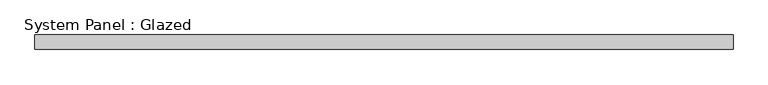
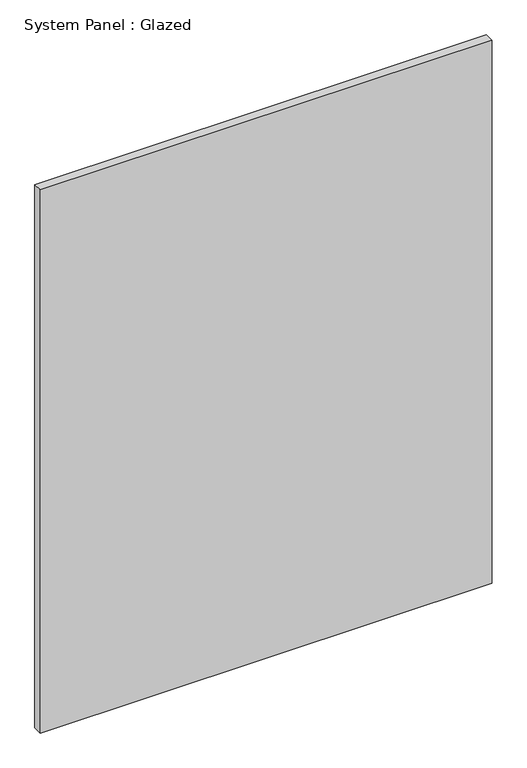
"""IFC4 building model written with IfcOpenShell, lengths in millimetres: plate geometry, System Panel : Glazed."""

from ifc_helpers import new_model, si_unit, origin, origin_with_axes, place, context, project, spatial, polyline, outline, extrude, source, transform, mapped, element, save


def system_panel_glazed_25342c2b(model_context):
    return source(origin(), model_context, "Body", "SweptSolid", [
        extrude(outline(polyline([(600.0, -49.5), (-600.0, -49.5), (-600.0, -24.5), (600.0, -24.5), (600.0, -49.5)])), origin_with_axes(), (0.0, 0.0, 1.0), 1525.0),
    ])


if __name__ == "__main__":
    model = new_model("IFC4")
    model_context = context("Model", 3, world=origin())
    ifc_project = project(units=[si_unit("LENGTHUNIT", "METRE", prefix="MILLI")], contexts=[model_context])
    site = spatial("IfcSite", under=ifc_project)
    building = spatial("IfcBuilding", under=site)
    placement = place(None, origin())
    system_panel_glazed_shape = system_panel_glazed_25342c2b(model_context)
    element("IfcPlate", 1, ObjectType="System Panel : Glazed", at=placement, inside=building, context=model_context, shape_type="MappedRepresentation", body=[
        mapped(system_panel_glazed_shape, transform((0.0, 0.0, 0.0), x_axis=(1.0, 0.0, 0.0), y_axis=(0.0, 1.0, 0.0), z_axis=(0.0, 0.0, 1.0))),
    ])
    save(model, "model.ifc")
